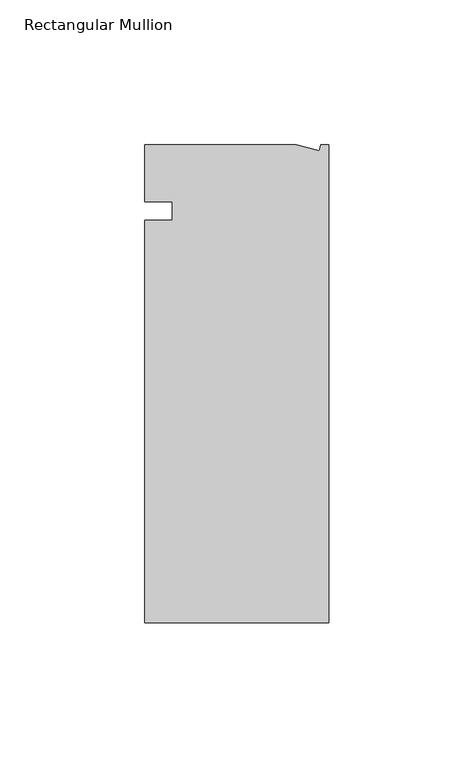
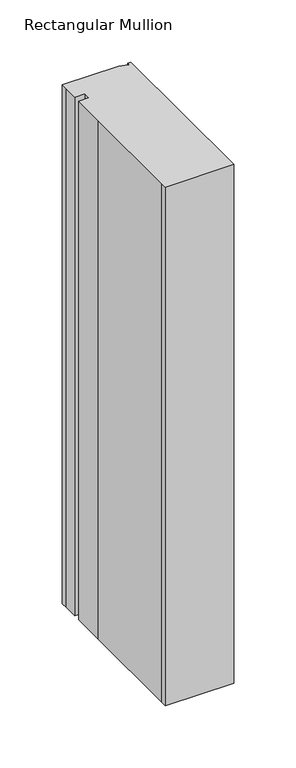
"""IFC4 building model written with IfcOpenShell, lengths in millimetres: member geometry, Rectangular Mullion."""

from ifc_helpers import new_model, si_unit, frame, origin, place, context, project, spatial, polyline, outline, extrude, source, transform, mapped, element, save


def rectangular_mullion_fb472f63(model_context):
    return source(origin(), model_context, "Body", "SweptSolid", [
        extrude(outline(polyline([(-11.1265412, 19.6597595), (-3.3457217, 17.5748952), (-2.787084, 19.6597595), (0.0, 19.6597595), (0.0, -145.4402405), (-63.5, -145.4402405), (-63.5, -139.0912246), (-63.5, -38.3358837), (-63.5, -6.35), (-53.975, -6.35), (-53.975, 0.0), (-63.5, 0.0), (-63.5, 13.6093403), (-63.5, 19.6597595), (-11.1265412, 19.6597595)])), frame((0.0, 0.0, -508.0), z_axis=(0.0, 0.0, 1.0), x_axis=(1.0, 0.0, 0.0)), (0.0, 0.0, 1.0), 508.0),
    ])


if __name__ == "__main__":
    model = new_model("IFC4")
    model_context = context("Model", 3, world=origin())
    ifc_project = project(units=[si_unit("LENGTHUNIT", "METRE", prefix="MILLI")], contexts=[model_context])
    site = spatial("IfcSite", under=ifc_project)
    building = spatial("IfcBuilding", under=site)
    placement = place(None, origin())
    rectangular_mullion_shape = rectangular_mullion_fb472f63(model_context)
    element("IfcMember", 1, ObjectType="Rectangular Mullion", at=placement, inside=building, context=model_context, shape_type="MappedRepresentation", body=[
        mapped(rectangular_mullion_shape, transform((0.0, 0.0, 0.0), x_axis=(1.0, 0.0, 0.0), y_axis=(0.0, 1.0, 0.0), z_axis=(0.0, 0.0, 1.0))),
    ])
    save(model, "model.ifc")
